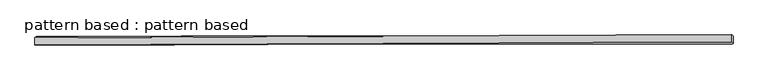
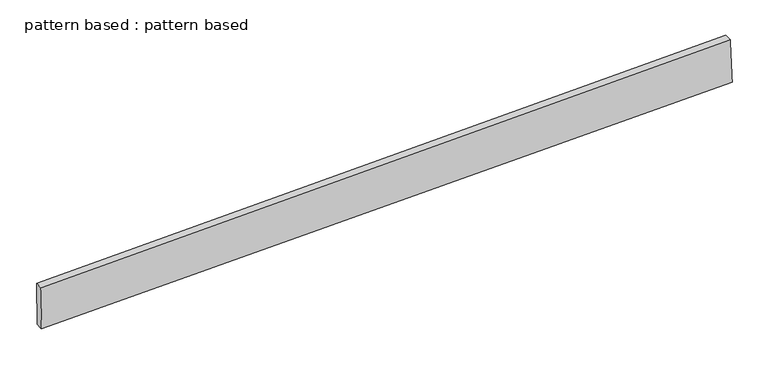
"""IFC4 building model written with IfcOpenShell, lengths in millimetres: plate geometry, pattern based : pattern based."""

import ifcopenshell
import ifcopenshell.guid

model = None  # the IFC model being written
_history = None  # IfcOwnerHistory: only IFC2X3 demands one
_inside = {}  # id of a spatial element -> (the spatial element, [elements in it])
_under = {}  # id of a project, library or spatial element -> (it, [spatial elements below it])
_declared = {}  # id of a project -> (the project, [libraries it declares])
_typed = {}  # id of a type object -> (the type object, [elements of that type])
_made_of = {}  # id of a material, layer set ... -> (it, [elements and type objects made of it])


def new_model(schema):
    """Start an empty IFC model of exactly this schema.

    Asked for "IFC4X3", IfcOpenShell would pick the latest addendum, in which some entities
    have other attributes; the version numbers below select the first issue.
    IFC2X3 requires an IfcOwnerHistory on every rooted entity: one is made here for all.
    """
    global model, _history
    if schema == "IFC4X3":
        model = ifcopenshell.file(schema_version=(4, 3, 0, 0))
    else:
        model = ifcopenshell.file(schema=schema)
    _inside.clear()
    _under.clear()
    _declared.clear()
    _typed.clear()
    _made_of.clear()
    _history = None
    if model.schema == "IFC2X3":
        org = make("IfcOrganization", Name="unknown")
        user = make(
            "IfcPersonAndOrganization",
            ThePerson=make("IfcPerson", FamilyName="unknown"),
            TheOrganization=org,
        )
        app = make(
            "IfcApplication",
            ApplicationDeveloper=org,
            Version="unknown",
            ApplicationFullName="unknown",
            ApplicationIdentifier="unknown",
        )
        _history = make(
            "IfcOwnerHistory",
            OwningUser=user,
            OwningApplication=app,
            ChangeAction="ADDED",
            CreationDate=0,
        )
    return model


def make(cls, **values):
    """One entity of the class cls with the attributes given. An attribute that is None is left unset."""
    return model.create_entity(
        cls, **{name: value for name, value in values.items() if value is not None}
    )


def rooted(cls, **values):
    """An entity with a GlobalId (a new one), such as an element, a storey or a relation."""
    return make(cls, GlobalId=ifcopenshell.guid.new(), OwnerHistory=_history, **values)


def si_unit(unit_type, name, prefix=None):
    """IfcSIUnit, for example si_unit("LENGTHUNIT", "METRE", prefix="MILLI")."""
    return make("IfcSIUnit", UnitType=unit_type, Prefix=prefix, Name=name)


def assignment(units):
    """IfcUnitAssignment: the units of a project."""
    return None if units is None else make("IfcUnitAssignment", Units=units)


def point(xyz):
    """IfcCartesianPoint."""
    return None if xyz is None else make("IfcCartesianPoint", Coordinates=xyz)


def direction(xyz):
    """IfcDirection."""
    return None if xyz is None else make("IfcDirection", DirectionRatios=xyz)


def frame(location, z_axis=None, x_axis=None):
    """IfcAxis2Placement3D, a coordinate frame: its origin and axes. An axis left out is left unset."""
    return make(
        "IfcAxis2Placement3D",
        Location=point(location),
        Axis=direction(z_axis),
        RefDirection=direction(x_axis),
    )


def origin():
    """The frame at (0, 0, 0) with its axes left unset."""
    return frame((0.0, 0.0, 0.0))


def place(relative_to, where):
    """IfcLocalPlacement: puts the frame where relative to a parent placement (None: the world)."""
    return make(
        "IfcLocalPlacement", PlacementRelTo=relative_to, RelativePlacement=where
    )


def context(
    kind, dimensions, precision=None, world=None, true_north=None, identifier=None
):
    """IfcGeometricRepresentationContext, for example the 3D "Model" context."""
    return make(
        "IfcGeometricRepresentationContext",
        ContextIdentifier=identifier,
        ContextType=kind,
        CoordinateSpaceDimension=dimensions,
        Precision=precision,
        WorldCoordinateSystem=world,
        TrueNorth=true_north,
    )


def project(units=None, contexts=None):
    """IfcProject with its units and contexts."""
    return rooted(
        "IfcProject",
        Name="project",
        RepresentationContexts=contexts,
        UnitsInContext=assignment(units),
    )


def spatial(cls, under=None, at=None, **own):
    """A site, building, storey or space (cls), placed at a placement, below another one or the project."""
    s = rooted(cls, ObjectPlacement=at, **own)
    if under is not None:
        _under.setdefault(under.id(), (under, []))[1].append(s)
    return s


def shape(context_of_items, identifier, shape_type, items):
    """IfcShapeRepresentation: the items that make up one representation, for example the "Body"."""
    return make(
        "IfcShapeRepresentation",
        ContextOfItems=context_of_items,
        RepresentationIdentifier=identifier,
        RepresentationType=shape_type,
        Items=items,
    )


def source(mapping_origin, context_of_items, identifier, shape_type, items):
    """IfcRepresentationMap: a shape defined once, which mapped items show again and again."""
    return make(
        "IfcRepresentationMap",
        MappingOrigin=mapping_origin,
        MappedRepresentation=shape(context_of_items, identifier, shape_type, items),
    )


def transform(
    local_origin,
    x_axis=None,
    y_axis=None,
    z_axis=None,
    scale=None,
    scale2=None,
    scale3=None,
    uniform=True,
):
    """IfcCartesianTransformationOperator3D, or its non-uniform kind. x_axis, y_axis, z_axis: its Axis1, 2, 3."""
    if uniform:
        return make(
            "IfcCartesianTransformationOperator3D",
            Axis1=direction(x_axis),
            Axis2=direction(y_axis),
            LocalOrigin=point(local_origin),
            Scale=scale,
            Axis3=direction(z_axis),
        )
    return make(
        "IfcCartesianTransformationOperator3DnonUniform",
        Axis1=direction(x_axis),
        Axis2=direction(y_axis),
        LocalOrigin=point(local_origin),
        Scale=scale,
        Axis3=direction(z_axis),
        Scale2=scale2,
        Scale3=scale3,
    )


def mapped(mapping_source, mapping_target):
    """IfcMappedItem: shows the shape of a source again, moved by a transform."""
    return make(
        "IfcMappedItem", MappingSource=mapping_source, MappingTarget=mapping_target
    )


def made_of(thing, what):
    """Note that an element or type object is made of a material, layer set ...; save() writes the relation."""
    if what is not None:
        _made_of.setdefault(what.id(), (what, []))[1].append(thing)
    return thing


def element(
    cls,
    number,
    at=None,
    inside=None,
    cuts=None,
    type_object=None,
    material=None,
    context=None,
    identifier="Body",
    shape_type=None,
    held_by="IfcProductDefinitionShape",
    body=None,
    shapes=None,
    **own,
):
    """One element of the class cls, such as IfcWall. Its Tag is "e" and its number.

    at: its placement. inside: the storey or other place that contains it. cuts: it is an
    opening in that element (IfcRelVoidsElement). A single representation is given by context,
    identifier, shape_type and body (its items); several are given by shapes. held_by: the class
    of the entity that holds the representations. save() writes the other relations.
    """
    e = rooted(cls, Tag="e%d" % number, ObjectPlacement=at, **own)
    if body is not None:
        shapes = [shape(context, identifier, shape_type, body)]
    if shapes is not None:
        e.Representation = make(held_by, Representations=shapes)
    if inside is not None:
        _inside.setdefault(inside.id(), (inside, []))[1].append(e)
    if cuts is not None:
        rooted(
            "IfcRelVoidsElement", RelatingBuildingElement=cuts, RelatedOpeningElement=e
        )
    if type_object is not None:
        _typed.setdefault(type_object.id(), (type_object, []))[1].append(e)
    return made_of(e, material)


def aggregate(whole, parts):
    """IfcRelAggregates: a whole, such as a stair, and the parts it consists of."""
    return rooted("IfcRelAggregates", RelatingObject=whole, RelatedObjects=parts)


def save(model, path):
    """Write the relations noted so far, then the file.

    IfcRelAggregates (storeys below a building ...), IfcRelContainedInSpatialStructure (elements
    in a storey), IfcRelDefinesByType, IfcRelAssociatesMaterial and IfcRelDeclares: one each for
    every whole, place, type object, material and project.
    """
    for whole, parts in _under.values():
        aggregate(whole, parts)
    for where, things in _inside.values():
        rooted(
            "IfcRelContainedInSpatialStructure",
            RelatedElements=things,
            RelatingStructure=where,
        )
    for kind, things in _typed.values():
        rooted("IfcRelDefinesByType", RelatedObjects=things, RelatingType=kind)
    for what, things in _made_of.values():
        rooted("IfcRelAssociatesMaterial", RelatedObjects=things, RelatingMaterial=what)
    for by, libraries in _declared.values():
        rooted("IfcRelDeclares", RelatingContext=by, RelatedDefinitions=libraries)
    model.write(path)


def plane_surface(at):
    """IfcPlane: the flat surface through the origin of the frame at, square to its z axis."""
    return make("IfcPlane", Position=at)


def spline_surface(u_degree, v_degree, points, u_multiplicities, v_multiplicities, u_knots, v_knots, weights=None):
    """IfcBSplineSurfaceWithKnots; with weights, IfcRationalBSplineSurfaceWithKnots. points: one row for each step in u."""
    own = dict(
        UDegree=u_degree,
        VDegree=v_degree,
        ControlPointsList=[[point(p) for p in row] for row in points],
        SurfaceForm="UNSPECIFIED",
        UClosed=False,
        VClosed=False,
        SelfIntersect=False,
        UMultiplicities=u_multiplicities,
        VMultiplicities=v_multiplicities,
        UKnots=u_knots,
        VKnots=v_knots,
        KnotSpec="UNSPECIFIED",
    )
    if weights is None:
        return make("IfcBSplineSurfaceWithKnots", **own)
    return make("IfcRationalBSplineSurfaceWithKnots", WeightsData=weights, **own)


def advanced_brep(points, edges, surfaces, faces):
    """IfcAdvancedBrep: a solid bounded by faces that lie on surfaces and meet in shared edges.

    An edge is (start, end): straight between two places in points (the first is 0);
    or (start, end, curve); or (start, end, curve, False) where it runs against its curve.
    A face is (place in surfaces, loops), or (place, loops, False) where it looks against
    its surface's normal. A loop lists edges by number (the first is 1), with a minus sign
    where the edge is run from its end to its start. The first loop is the outer one.
    """
    corners = [point(p) for p in points]
    vertices = [make("IfcVertexPoint", VertexGeometry=c) for c in corners]
    made = []
    for start, end, *more in edges:
        made.append(
            make(
                "IfcEdgeCurve",
                EdgeStart=vertices[start],
                EdgeEnd=vertices[end],
                EdgeGeometry=more[0] if more else make("IfcPolyline", Points=[corners[start], corners[end]]),
                SameSense=more[1] if len(more) > 1 else True,
            )
        )
    hull = []
    for where, loops, *sense in faces:
        bounds = []
        for j, loop in enumerate(loops):
            ring = [make("IfcOrientedEdge", EdgeElement=made[abs(k) - 1], Orientation=k > 0) for k in loop]
            bounds.append(
                make(
                    "IfcFaceOuterBound" if j == 0 else "IfcFaceBound",
                    Bound=make("IfcEdgeLoop", EdgeList=ring),
                    Orientation=True,
                )
            )
        hull.append(make("IfcAdvancedFace", Bounds=bounds, FaceSurface=surfaces[where], SameSense=sense[0] if sense else True))
    return make("IfcAdvancedBrep", Outer=make("IfcClosedShell", CfsFaces=hull))


def pattern_based_pattern_based_cbca8fa9(model_context):
    return source(origin(), model_context, "Body", "AdvancedBrep", [
        advanced_brep(
        [(3604.802436, 3604.802436, -32.1462263), (3600.6678105, 3600.2450478, 117.7275042), (3600.6052263, 3625.2449458, 117.7619045), (3604.7398517, 3629.802334, -32.111826), (5921.7798421, 3610.3082813, 181.8154923), (5921.7172578, 3635.3081793, 181.8498926), (5925.9199774, 3606.1840828, 31.929368), (5925.8573931, 3631.1839808, 31.9637683)],
        [
            (0, 1),
            (1, 2),
            (2, 3),
            (3, 0),
            (1, 4),
            (4, 5),
            (5, 2),
            (4, 6),
            (6, 7),
            (7, 5),
            (6, 0),
            (3, 7),
        ],
        [
            plane_surface(frame((3602.7351232, 3602.5237419, 42.790639), z_axis=(-0.9996145810072496, -0.0024643662262794045, -0.027651696815998415), x_axis=(-0.02756416963529002, -0.030382587961638903, 0.999158203139558))),
            plane_surface(frame((4761.2238263, 3605.2766645, 149.7714983), z_axis=(-0.027594092532454317, -0.0014445708201184285, 0.9996181667379079), x_axis=(0.9996096494501507, 0.0043338301553628115, 0.0276001203318239))),
            plane_surface(frame((5923.8499097, 3608.246182, 106.8724302), z_axis=(0.9996175678625631, 0.002464522590328099, 0.027543495583094924), x_axis=(0.027600902030011802, -0.02749465632470492, -0.9992408288699557))),
            plane_surface(frame((4765.3612067, 3605.4932594, -0.1084291), z_axis=(0.02759409253245435, 0.001444570820117752, -0.9996181667379079), x_axis=(-0.9996190090551882, -0.0005950239238220129, -0.027594975666843033))),
            spline_surface(1, 1, [[(3600.6052263, 3625.2449458, 117.7619045), (3604.7398517, 3629.802334, -32.111826)], [(5921.7172578, 3635.3081793, 181.8498926), (5925.8573931, 3631.1839808, 31.9637683)]], [2, 2], [2, 2], [0.0, 1.0], [0.0, 1.0]),
            spline_surface(1, 1, [[(5925.9199774, 3606.1840828, 31.929368), (3604.802436, 3604.802436, -32.1462263)], [(5921.7798421, 3610.3082813, 181.8154923), (3600.6678105, 3600.2450478, 117.7275042)]], [2, 2], [2, 2], [0.0, 1.0], [0.0, 1.0]),
        ],
        [
            (0, [[1, 2, 3, 4]]),
            (1, [[5, 6, 7, -2]]),
            (2, [[8, 9, 10, -6]]),
            (3, [[11, -4, 12, -9]]),
            (4, [[-3, -7, -10, -12]]),
            (5, [[-11, -8, -5, -1]]),
        ],
    ),
    ])


if __name__ == "__main__":
    model = new_model("IFC4")
    model_context = context("Model", 3, world=origin())
    ifc_project = project(units=[si_unit("LENGTHUNIT", "METRE", prefix="MILLI")], contexts=[model_context])
    site = spatial("IfcSite", under=ifc_project)
    building = spatial("IfcBuilding", under=site)
    placement = place(None, origin())
    pattern_based_pattern_based_shape = pattern_based_pattern_based_cbca8fa9(model_context)
    element("IfcPlate", 1, ObjectType="pattern based : pattern based", at=placement, inside=building, context=model_context, shape_type="MappedRepresentation", body=[
        mapped(pattern_based_pattern_based_shape, transform((0.0, 0.0, 0.0), x_axis=(1.0, 0.0, 0.0), y_axis=(0.0, 1.0, 0.0), z_axis=(0.0, 0.0, 1.0))),
    ])
    save(model, "model.ifc")
